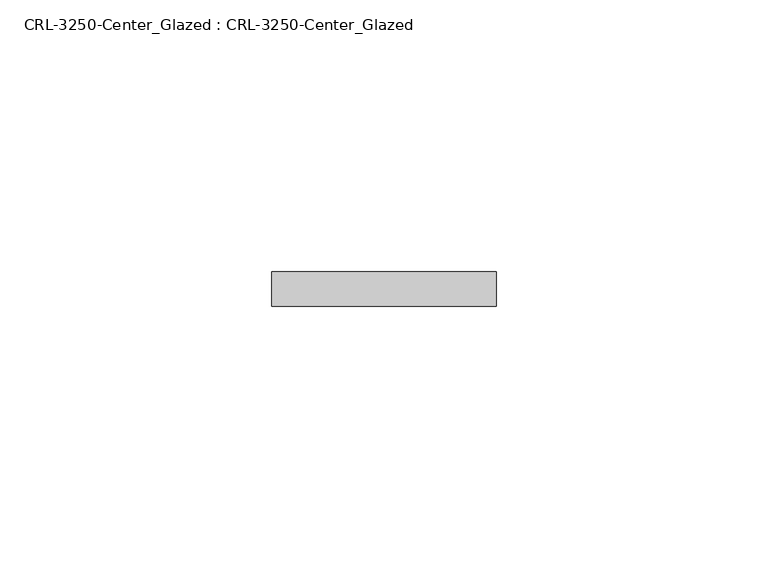
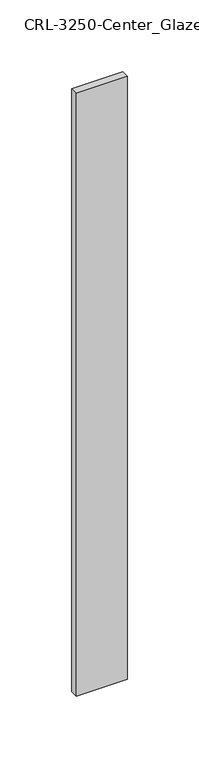
"""IFC4 building model written with IfcOpenShell, lengths in millimetres: plate geometry, CRL-3250-Center_Glazed : CRL-3250-Center_Glazed."""

import ifcopenshell
import ifcopenshell.guid

model = None  # the IFC model being written
_history = None  # IfcOwnerHistory: only IFC2X3 demands one
_inside = {}  # id of a spatial element -> (the spatial element, [elements in it])
_under = {}  # id of a project, library or spatial element -> (it, [spatial elements below it])
_declared = {}  # id of a project -> (the project, [libraries it declares])
_typed = {}  # id of a type object -> (the type object, [elements of that type])
_made_of = {}  # id of a material, layer set ... -> (it, [elements and type objects made of it])


def new_model(schema):
    """Start an empty IFC model of exactly this schema.

    Asked for "IFC4X3", IfcOpenShell would pick the latest addendum, in which some entities
    have other attributes; the version numbers below select the first issue.
    IFC2X3 requires an IfcOwnerHistory on every rooted entity: one is made here for all.
    """
    global model, _history
    if schema == "IFC4X3":
        model = ifcopenshell.file(schema_version=(4, 3, 0, 0))
    else:
        model = ifcopenshell.file(schema=schema)
    _inside.clear()
    _under.clear()
    _declared.clear()
    _typed.clear()
    _made_of.clear()
    _history = None
    if model.schema == "IFC2X3":
        org = make("IfcOrganization", Name="unknown")
        user = make(
            "IfcPersonAndOrganization",
            ThePerson=make("IfcPerson", FamilyName="unknown"),
            TheOrganization=org,
        )
        app = make(
            "IfcApplication",
            ApplicationDeveloper=org,
            Version="unknown",
            ApplicationFullName="unknown",
            ApplicationIdentifier="unknown",
        )
        _history = make(
            "IfcOwnerHistory",
            OwningUser=user,
            OwningApplication=app,
            ChangeAction="ADDED",
            CreationDate=0,
        )
    return model


def make(cls, **values):
    """One entity of the class cls with the attributes given. An attribute that is None is left unset."""
    return model.create_entity(
        cls, **{name: value for name, value in values.items() if value is not None}
    )


def rooted(cls, **values):
    """An entity with a GlobalId (a new one), such as an element, a storey or a relation."""
    return make(cls, GlobalId=ifcopenshell.guid.new(), OwnerHistory=_history, **values)


def si_unit(unit_type, name, prefix=None):
    """IfcSIUnit, for example si_unit("LENGTHUNIT", "METRE", prefix="MILLI")."""
    return make("IfcSIUnit", UnitType=unit_type, Prefix=prefix, Name=name)


def assignment(units):
    """IfcUnitAssignment: the units of a project."""
    return None if units is None else make("IfcUnitAssignment", Units=units)


def point(xyz):
    """IfcCartesianPoint."""
    return None if xyz is None else make("IfcCartesianPoint", Coordinates=xyz)


def direction(xyz):
    """IfcDirection."""
    return None if xyz is None else make("IfcDirection", DirectionRatios=xyz)


def frame(location, z_axis=None, x_axis=None):
    """IfcAxis2Placement3D, a coordinate frame: its origin and axes. An axis left out is left unset."""
    return make(
        "IfcAxis2Placement3D",
        Location=point(location),
        Axis=direction(z_axis),
        RefDirection=direction(x_axis),
    )


def origin():
    """The frame at (0, 0, 0) with its axes left unset."""
    return frame((0.0, 0.0, 0.0))


def origin_with_axes():
    """The frame at (0, 0, 0) with the z axis (0, 0, 1) and the x axis (1, 0, 0) written out."""
    return frame((0.0, 0.0, 0.0), z_axis=(0.0, 0.0, 1.0), x_axis=(1.0, 0.0, 0.0))


def place(relative_to, where):
    """IfcLocalPlacement: puts the frame where relative to a parent placement (None: the world)."""
    return make(
        "IfcLocalPlacement", PlacementRelTo=relative_to, RelativePlacement=where
    )


def context(
    kind, dimensions, precision=None, world=None, true_north=None, identifier=None
):
    """IfcGeometricRepresentationContext, for example the 3D "Model" context."""
    return make(
        "IfcGeometricRepresentationContext",
        ContextIdentifier=identifier,
        ContextType=kind,
        CoordinateSpaceDimension=dimensions,
        Precision=precision,
        WorldCoordinateSystem=world,
        TrueNorth=true_north,
    )


def project(units=None, contexts=None):
    """IfcProject with its units and contexts."""
    return rooted(
        "IfcProject",
        Name="project",
        RepresentationContexts=contexts,
        UnitsInContext=assignment(units),
    )


def spatial(cls, under=None, at=None, **own):
    """A site, building, storey or space (cls), placed at a placement, below another one or the project."""
    s = rooted(cls, ObjectPlacement=at, **own)
    if under is not None:
        _under.setdefault(under.id(), (under, []))[1].append(s)
    return s


def polyline(points):
    """IfcPolyline through the points."""
    return make("IfcPolyline", Points=[point(p) for p in points])


def outline(outer, holes=None, kind="AREA"):
    """IfcArbitraryClosedProfileDef: a profile drawn as a closed curve; with holes, ...WithVoids."""
    if holes is None:
        return make("IfcArbitraryClosedProfileDef", ProfileType=kind, OuterCurve=outer)
    return make(
        "IfcArbitraryProfileDefWithVoids",
        ProfileType=kind,
        OuterCurve=outer,
        InnerCurves=holes,
    )


def extrude(swept, where, along, depth):
    """IfcExtrudedAreaSolid: the profile swept, set in the frame where, extruded along a direction by depth."""
    return make(
        "IfcExtrudedAreaSolid",
        SweptArea=swept,
        Position=where,
        ExtrudedDirection=direction(along),
        Depth=depth,
    )


def shape(context_of_items, identifier, shape_type, items):
    """IfcShapeRepresentation: the items that make up one representation, for example the "Body"."""
    return make(
        "IfcShapeRepresentation",
        ContextOfItems=context_of_items,
        RepresentationIdentifier=identifier,
        RepresentationType=shape_type,
        Items=items,
    )


def source(mapping_origin, context_of_items, identifier, shape_type, items):
    """IfcRepresentationMap: a shape defined once, which mapped items show again and again."""
    return make(
        "IfcRepresentationMap",
        MappingOrigin=mapping_origin,
        MappedRepresentation=shape(context_of_items, identifier, shape_type, items),
    )


def transform(
    local_origin,
    x_axis=None,
    y_axis=None,
    z_axis=None,
    scale=None,
    scale2=None,
    scale3=None,
    uniform=True,
):
    """IfcCartesianTransformationOperator3D, or its non-uniform kind. x_axis, y_axis, z_axis: its Axis1, 2, 3."""
    if uniform:
        return make(
            "IfcCartesianTransformationOperator3D",
            Axis1=direction(x_axis),
            Axis2=direction(y_axis),
            LocalOrigin=point(local_origin),
            Scale=scale,
            Axis3=direction(z_axis),
        )
    return make(
        "IfcCartesianTransformationOperator3DnonUniform",
        Axis1=direction(x_axis),
        Axis2=direction(y_axis),
        LocalOrigin=point(local_origin),
        Scale=scale,
        Axis3=direction(z_axis),
        Scale2=scale2,
        Scale3=scale3,
    )


def mapped(mapping_source, mapping_target):
    """IfcMappedItem: shows the shape of a source again, moved by a transform."""
    return make(
        "IfcMappedItem", MappingSource=mapping_source, MappingTarget=mapping_target
    )


def made_of(thing, what):
    """Note that an element or type object is made of a material, layer set ...; save() writes the relation."""
    if what is not None:
        _made_of.setdefault(what.id(), (what, []))[1].append(thing)
    return thing


def element(
    cls,
    number,
    at=None,
    inside=None,
    cuts=None,
    type_object=None,
    material=None,
    context=None,
    identifier="Body",
    shape_type=None,
    held_by="IfcProductDefinitionShape",
    body=None,
    shapes=None,
    **own,
):
    """One element of the class cls, such as IfcWall. Its Tag is "e" and its number.

    at: its placement. inside: the storey or other place that contains it. cuts: it is an
    opening in that element (IfcRelVoidsElement). A single representation is given by context,
    identifier, shape_type and body (its items); several are given by shapes. held_by: the class
    of the entity that holds the representations. save() writes the other relations.
    """
    e = rooted(cls, Tag="e%d" % number, ObjectPlacement=at, **own)
    if body is not None:
        shapes = [shape(context, identifier, shape_type, body)]
    if shapes is not None:
        e.Representation = make(held_by, Representations=shapes)
    if inside is not None:
        _inside.setdefault(inside.id(), (inside, []))[1].append(e)
    if cuts is not None:
        rooted(
            "IfcRelVoidsElement", RelatingBuildingElement=cuts, RelatedOpeningElement=e
        )
    if type_object is not None:
        _typed.setdefault(type_object.id(), (type_object, []))[1].append(e)
    return made_of(e, material)


def aggregate(whole, parts):
    """IfcRelAggregates: a whole, such as a stair, and the parts it consists of."""
    return rooted("IfcRelAggregates", RelatingObject=whole, RelatedObjects=parts)


def save(model, path):
    """Write the relations noted so far, then the file.

    IfcRelAggregates (storeys below a building ...), IfcRelContainedInSpatialStructure (elements
    in a storey), IfcRelDefinesByType, IfcRelAssociatesMaterial and IfcRelDeclares: one each for
    every whole, place, type object, material and project.
    """
    for whole, parts in _under.values():
        aggregate(whole, parts)
    for where, things in _inside.values():
        rooted(
            "IfcRelContainedInSpatialStructure",
            RelatedElements=things,
            RelatingStructure=where,
        )
    for kind, things in _typed.values():
        rooted("IfcRelDefinesByType", RelatedObjects=things, RelatingType=kind)
    for what, things in _made_of.values():
        rooted("IfcRelAssociatesMaterial", RelatedObjects=things, RelatingMaterial=what)
    for by, libraries in _declared.values():
        rooted("IfcRelDeclares", RelatingContext=by, RelatedDefinitions=libraries)
    model.write(path)


def crl_3250_center_glazed_crl_3250_center_glazed_b3987e13(model_context):
    return source(origin(), model_context, "Body", "SweptSolid", [
        extrude(outline(polyline([(20.6410529, -3.1749999), (-20.6410529, -3.1749999), (-20.6410529, 3.1749999), (20.6410529, 3.1749999), (20.6410529, -3.1749999)])), origin_with_axes(), (0.0, 0.0, 1.0), 514.350003),
    ])


if __name__ == "__main__":
    model = new_model("IFC4")
    model_context = context("Model", 3, world=origin())
    ifc_project = project(units=[si_unit("LENGTHUNIT", "METRE", prefix="MILLI")], contexts=[model_context])
    site = spatial("IfcSite", under=ifc_project)
    building = spatial("IfcBuilding", under=site)
    placement = place(None, origin())
    crl_3250_center_glazed_crl_3250_center_glazed_shape = crl_3250_center_glazed_crl_3250_center_glazed_b3987e13(model_context)
    element("IfcPlate", 1, ObjectType="CRL-3250-Center_Glazed : CRL-3250-Center_Glazed", at=placement, inside=building, context=model_context, shape_type="MappedRepresentation", body=[
        mapped(crl_3250_center_glazed_crl_3250_center_glazed_shape, transform((0.0, 0.0, 0.0), x_axis=(1.0, 0.0, 0.0), y_axis=(0.0, 1.0, 0.0), z_axis=(0.0, 0.0, 1.0))),
    ])
    save(model, "model.ifc")
